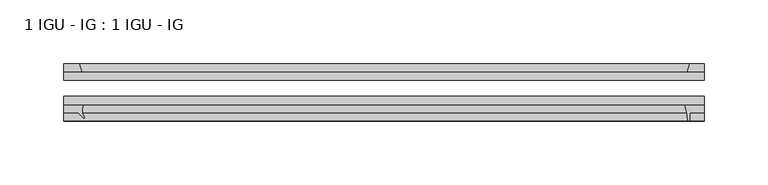
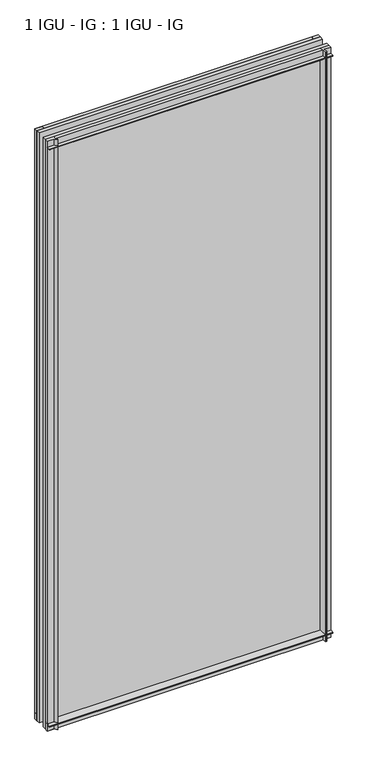
"""IFC4 building model written with IfcOpenShell, lengths in millimetres: plate geometry, 1 IGU - IG : 1 IGU - IG."""

from ifc_helpers import new_model, si_unit, point, frame, frame_2d, origin, place, context, project, spatial, polyline, circle_curve, trimmed, segment, composite_curve, outline, extrude, source, transform, mapped, element, save


def plate_1_igu_ig_1_igu_ig_ee70224a(model_context):
    return source(origin(), model_context, "Body", "SweptSolid", [
        extrude(outline(polyline([(250.3437625, -31.75), (250.3437625, -38.1), (-250.3437625, -38.1), (-250.3437625, -31.75), (250.3437625, -31.75)])), frame((0.0, 0.0, -11.1125), z_axis=(0.0, 0.0, 1.0), x_axis=(1.0, 0.0, 0.0)), (0.0, 0.0, 1.0), 1101.725),
        extrude(outline(polyline([(-250.3437625, -12.7), (250.3437625, -12.7), (250.3437625, -19.05), (-250.3437625, -19.05), (-250.3437625, -12.7)])), frame((0.0, 0.0, -11.1125), z_axis=(0.0, 0.0, 1.0), x_axis=(1.0, 0.0, 0.0)), (0.0, 0.0, 1.0), 1101.725),
        extrude(outline(polyline([(-236.2848226, -12.7), (-250.3437625, -12.7), (-250.3437625, -6.35), (-238.3900997, -6.35), (-236.2848226, -12.7)])), frame((0.0, 0.0, -11.1125), z_axis=(0.0, 0.0, 1.0), x_axis=(1.0, 0.0, 0.0)), (0.0, 0.0, 1.0), 1101.725),
        extrude(outline(composite_curve([segment(trimmed(circle_curve(frame_2d((-227.4926636, -42.5735189)), 8.7187667), [point((-234.9762805, -38.1))], [point((-234.4925696, -47.7714232))], True, "CARTESIAN"), True, "CONTINUOUS"), segment(trimmed(circle_curve(frame_2d((-235.1043452, -48.225708)), 0.762), [point((-234.4925696, -47.7714232))], [point((-234.7705531, -48.9107094))], False, "CARTESIAN"), True, "CONTINUOUS"), segment(polyline([(-234.7705531, -48.9107094), (-239.2312625, -44.45), (-250.3437625, -44.45), (-250.3437625, -38.1), (-234.9762805, -38.1)]), True, "CONTINUOUS")], self_intersect=False)), frame((0.0, 0.0, -11.1125), z_axis=(0.0, 0.0, 1.0), x_axis=(1.0, 0.0, 0.0)), (0.0, 0.0, 1.0), 1101.725),
        extrude(outline(polyline([(250.3437625, -12.7), (237.1259855, -12.7), (239.2312625, -6.35), (250.3437625, -6.35), (250.3437625, -12.7)])), frame((0.0, 0.0, -11.1125), z_axis=(0.0, 0.0, 1.0), x_axis=(1.0, 0.0, 0.0)), (0.0, 0.0, 1.0), 1101.725),
        extrude(outline(composite_curve([segment(polyline([(235.0500833, -38.1), (250.3437625, -38.1), (250.3437625, -44.45), (239.2312625, -44.45), (239.2312625, -50.8), (238.3113617, -50.8)]), True, "CONTINUOUS"), segment(trimmed(circle_curve(frame_2d((238.3113617, -50.038)), 0.762), [point((238.3113617, -50.8))], [point((237.5513198, -50.0925922))], False, "CARTESIAN"), True, "CONTINUOUS"), segment(trimmed(circle_curve(frame_2d((191.7910669, -53.3794536)), 45.8781451), [point((237.5513198, -50.0925922))], [point((235.0500833, -38.1))], True, "CARTESIAN"), True, "CONTINUOUS")], self_intersect=False)), frame((0.0, 0.0, -11.1125), z_axis=(0.0, 0.0, 1.0), x_axis=(1.0, 0.0, 0.0)), (0.0, 0.0, 1.0), 1101.725),
        extrude(outline(polyline([(-12.7, -11.1125), (-12.7, 2.1052771), (-6.35, 0.0), (-6.35, -11.1125), (-12.7, -11.1125)])), frame((-250.3437625, 0.0, 0.0), z_axis=(1.0, 0.0, 0.0), x_axis=(0.0, 1.0, 0.0)), (0.0, 0.0, 1.0), 500.6875251),
        extrude(outline(composite_curve([segment(polyline([(-38.1, 4.1811793), (-38.1, -11.1125), (-44.45, -11.1125), (-44.45, 0.0), (-50.8, 0.0), (-50.8, 0.9199009)]), True, "CONTINUOUS"), segment(trimmed(circle_curve(frame_2d((-50.038, 0.9199009)), 0.762), [point((-50.8, 0.9199009))], [point((-50.0925922, 1.6799428))], False, "CARTESIAN"), True, "CONTINUOUS"), segment(trimmed(circle_curve(frame_2d((-53.3794536, 47.4401956)), 45.8781451), [point((-50.0925922, 1.6799428))], [point((-38.1, 4.1811793))], True, "CARTESIAN"), True, "CONTINUOUS")], self_intersect=False)), frame((-250.3437625, 0.0, 0.0), z_axis=(1.0, 0.0, 0.0), x_axis=(0.0, 1.0, 0.0)), (0.0, 0.0, 1.0), 500.6875251),
        extrude(outline(polyline([(-6.35, 1079.5), (-12.7, 1077.3947229), (-12.7, 1090.6125), (-6.35, 1090.6125), (-6.35, 1079.5)])), frame((-250.3437625, 0.0, 0.0), z_axis=(1.0, 0.0, 0.0), x_axis=(0.0, 1.0, 0.0)), (0.0, 0.0, 1.0), 500.6875251),
        extrude(outline(composite_curve([segment(polyline([(-38.1, 1090.6125), (-38.1, 1075.3188207)]), True, "CONTINUOUS"), segment(trimmed(circle_curve(frame_2d((-53.3794536, 1032.0598044)), 45.8781451), [point((-38.1, 1075.3188207))], [point((-50.0925922, 1077.8200572))], True, "CARTESIAN"), True, "CONTINUOUS"), segment(trimmed(circle_curve(frame_2d((-50.038, 1078.5800991)), 0.762), [point((-50.0925922, 1077.8200572))], [point((-50.8, 1078.5800991))], False, "CARTESIAN"), True, "CONTINUOUS"), segment(polyline([(-50.8, 1078.5800991), (-50.8, 1079.5), (-44.45, 1079.5), (-44.45, 1090.6125), (-38.1, 1090.6125)]), True, "CONTINUOUS")], self_intersect=False)), frame((-250.3437625, 0.0, 0.0), z_axis=(1.0, 0.0, 0.0), x_axis=(0.0, 1.0, 0.0)), (0.0, 0.0, 1.0), 500.6875251),
    ])


if __name__ == "__main__":
    model = new_model("IFC4")
    model_context = context("Model", 3, world=origin())
    ifc_project = project(units=[si_unit("LENGTHUNIT", "METRE", prefix="MILLI")], contexts=[model_context])
    site = spatial("IfcSite", under=ifc_project)
    building = spatial("IfcBuilding", under=site)
    placement = place(None, origin())
    plate_1_igu_ig_1_igu_ig_shape = plate_1_igu_ig_1_igu_ig_ee70224a(model_context)
    element("IfcPlate", 1, ObjectType="1 IGU - IG : 1 IGU - IG", at=placement, inside=building, context=model_context, shape_type="MappedRepresentation", body=[
        mapped(plate_1_igu_ig_1_igu_ig_shape, transform((0.0, 0.0, 0.0), x_axis=(1.0, 0.0, 0.0), y_axis=(0.0, 1.0, 0.0), z_axis=(0.0, 0.0, 1.0))),
    ])
    save(model, "model.ifc")
